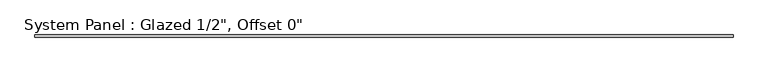
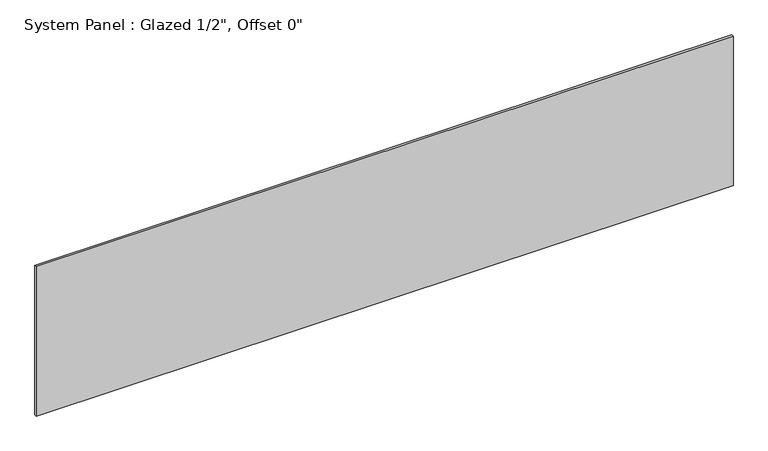
"""IFC4 building model written with IfcOpenShell, lengths in millimetres: plate geometry."""

from ifc_helpers import new_model, si_unit, origin, origin_with_axes, place, context, project, spatial, polyline, outline, extrude, source, transform, mapped, element, save


def plate_6e766cc1(model_context):
    return source(origin(), model_context, "Body", "SweptSolid", [
        extrude(outline(polyline([(2070.1, -6.35), (-2070.1, -6.35), (-2070.1, 6.35), (2070.1, 6.35), (2070.1, -6.35)])), origin_with_axes(), (0.0, 0.0, 1.0), 939.8),
    ])


if __name__ == "__main__":
    model = new_model("IFC4")
    model_context = context("Model", 3, world=origin())
    ifc_project = project(units=[si_unit("LENGTHUNIT", "METRE", prefix="MILLI")], contexts=[model_context])
    site = spatial("IfcSite", under=ifc_project)
    building = spatial("IfcBuilding", under=site)
    placement = place(None, origin())
    plate_shape = plate_6e766cc1(model_context)
    element("IfcPlate", 1, ObjectType="System Panel : Glazed 1/2\", Offset 0\"", at=placement, inside=building, context=model_context, shape_type="MappedRepresentation", body=[
        mapped(plate_shape, transform((0.0, 0.0, 0.0), x_axis=(1.0, 0.0, 0.0), y_axis=(0.0, 1.0, 0.0), z_axis=(0.0, 0.0, 1.0))),
    ])
    save(model, "model.ifc")
